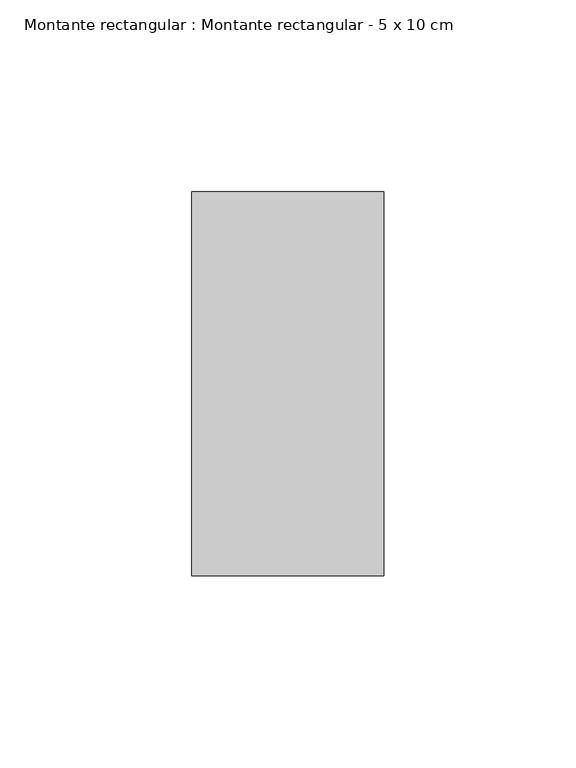
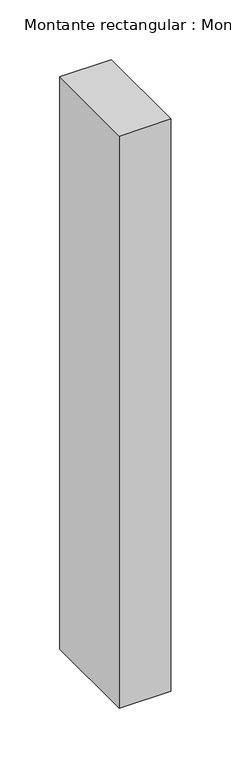
"""IFC4 building model written with IfcOpenShell, lengths in millimetres: member geometry, Montante rectangular : Montante rectangular - 5 x 10 cm."""

from ifc_helpers import new_model, si_unit, frame, origin, place, context, project, spatial, polyline, outline, extrude, source, transform, mapped, element, save


def montante_rectangular_montante_rectangular_5_x_10_cm_a216acc6(model_context):
    return source(origin(), model_context, "Body", "SweptSolid", [
        extrude(outline(polyline([(0.0, -50.0), (-50.0, -50.0), (-50.0, 50.0), (0.0, 50.0), (0.0, -50.0)])), frame((0.0, 0.0, -585.6725862), z_axis=(0.0, 0.0, 1.0), x_axis=(1.0, 0.0, 0.0)), (0.0, 0.0, 1.0), 585.6725862),
    ])


if __name__ == "__main__":
    model = new_model("IFC4")
    model_context = context("Model", 3, world=origin())
    ifc_project = project(units=[si_unit("LENGTHUNIT", "METRE", prefix="MILLI")], contexts=[model_context])
    site = spatial("IfcSite", under=ifc_project)
    building = spatial("IfcBuilding", under=site)
    placement = place(None, origin())
    montante_rectangular_montante_rectangular_5_x_10_cm_shape = montante_rectangular_montante_rectangular_5_x_10_cm_a216acc6(model_context)
    element("IfcMember", 1, ObjectType="Montante rectangular : Montante rectangular - 5 x 10 cm", at=placement, inside=building, context=model_context, shape_type="MappedRepresentation", body=[
        mapped(montante_rectangular_montante_rectangular_5_x_10_cm_shape, transform((0.0, 0.0, 0.0), x_axis=(1.0, 0.0, 0.0), y_axis=(0.0, 1.0, 0.0), z_axis=(0.0, 0.0, 1.0))),
    ])
    save(model, "model.ifc")
